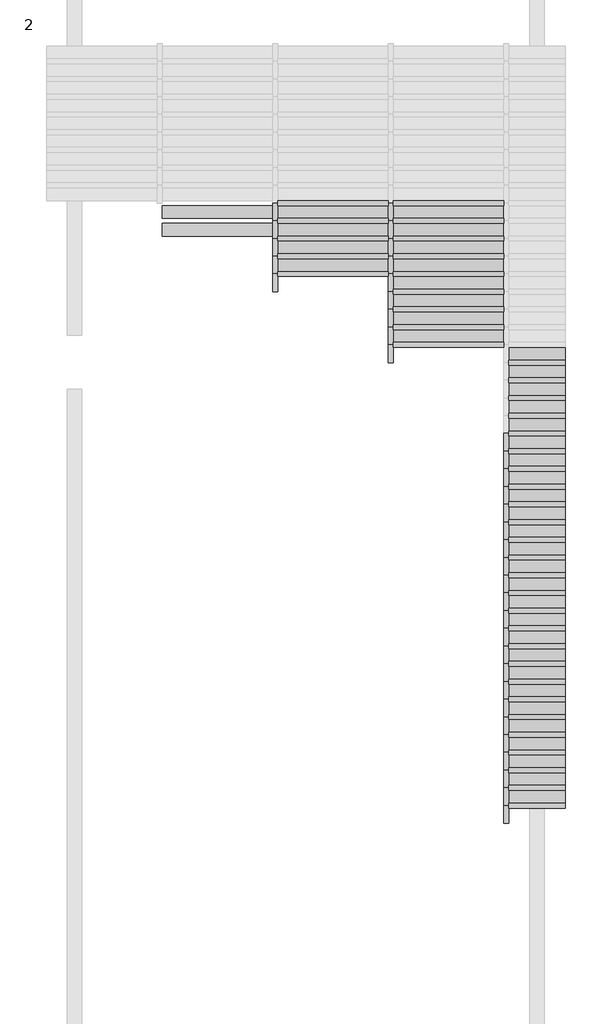
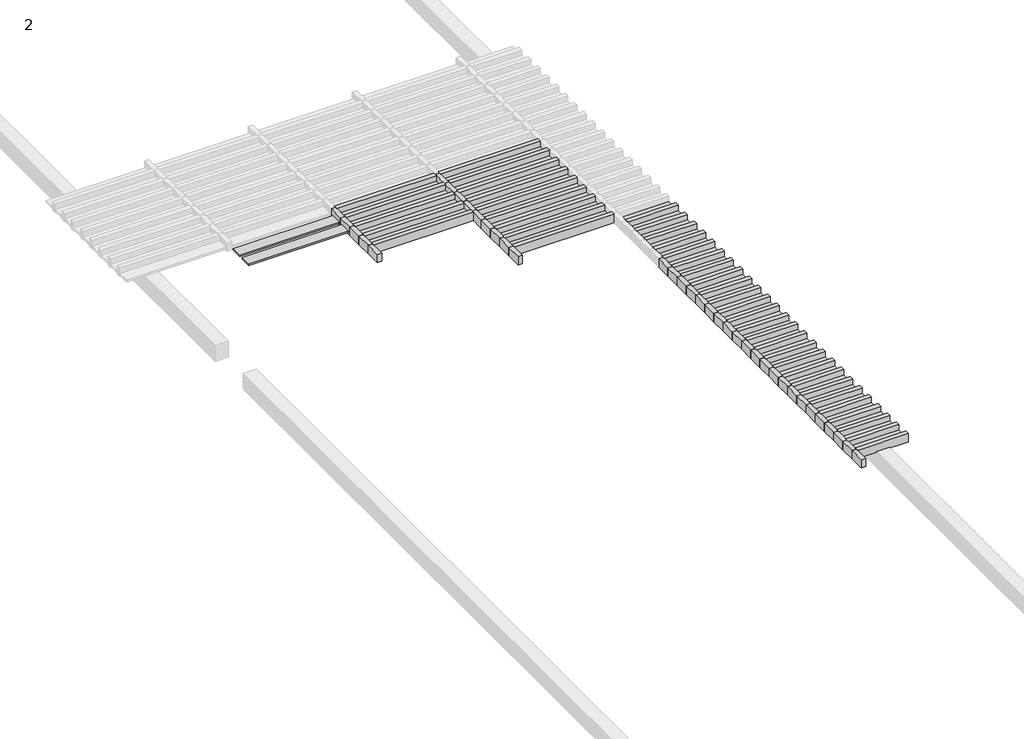
# One storey, part 16 of 20: 76 members, 40 plates.
"""IFC4 building model written with IfcOpenShell, lengths in millimetres."""

import ifcopenshell
import ifcopenshell.guid

model = None  # the IFC model being written
_history = None  # IfcOwnerHistory: only IFC2X3 demands one
_inside = {}  # id of a spatial element -> (the spatial element, [elements in it])
_under = {}  # id of a project, library or spatial element -> (it, [spatial elements below it])
_declared = {}  # id of a project -> (the project, [libraries it declares])
_typed = {}  # id of a type object -> (the type object, [elements of that type])
_made_of = {}  # id of a material, layer set ... -> (it, [elements and type objects made of it])


def new_model(schema):
    """Start an empty IFC model of exactly this schema.

    Asked for "IFC4X3", IfcOpenShell would pick the latest addendum, in which some entities
    have other attributes; the version numbers below select the first issue.
    IFC2X3 requires an IfcOwnerHistory on every rooted entity: one is made here for all.
    """
    global model, _history
    if schema == "IFC4X3":
        model = ifcopenshell.file(schema_version=(4, 3, 0, 0))
    else:
        model = ifcopenshell.file(schema=schema)
    _inside.clear()
    _under.clear()
    _declared.clear()
    _typed.clear()
    _made_of.clear()
    _history = None
    if model.schema == "IFC2X3":
        org = make("IfcOrganization", Name="unknown")
        user = make(
            "IfcPersonAndOrganization",
            ThePerson=make("IfcPerson", FamilyName="unknown"),
            TheOrganization=org,
        )
        app = make(
            "IfcApplication",
            ApplicationDeveloper=org,
            Version="unknown",
            ApplicationFullName="unknown",
            ApplicationIdentifier="unknown",
        )
        _history = make(
            "IfcOwnerHistory",
            OwningUser=user,
            OwningApplication=app,
            ChangeAction="ADDED",
            CreationDate=0,
        )
    return model


def make(cls, **values):
    """One entity of the class cls with the attributes given. An attribute that is None is left unset."""
    return model.create_entity(
        cls, **{name: value for name, value in values.items() if value is not None}
    )


def rooted(cls, **values):
    """An entity with a GlobalId (a new one), such as an element, a storey or a relation."""
    return make(cls, GlobalId=ifcopenshell.guid.new(), OwnerHistory=_history, **values)


def si_unit(unit_type, name, prefix=None):
    """IfcSIUnit, for example si_unit("LENGTHUNIT", "METRE", prefix="MILLI")."""
    return make("IfcSIUnit", UnitType=unit_type, Prefix=prefix, Name=name)


def assignment(units):
    """IfcUnitAssignment: the units of a project."""
    return None if units is None else make("IfcUnitAssignment", Units=units)


def point(xyz):
    """IfcCartesianPoint."""
    return None if xyz is None else make("IfcCartesianPoint", Coordinates=xyz)


def direction(xyz):
    """IfcDirection."""
    return None if xyz is None else make("IfcDirection", DirectionRatios=xyz)


def frame(location, z_axis=None, x_axis=None):
    """IfcAxis2Placement3D, a coordinate frame: its origin and axes. An axis left out is left unset."""
    return make(
        "IfcAxis2Placement3D",
        Location=point(location),
        Axis=direction(z_axis),
        RefDirection=direction(x_axis),
    )


def origin():
    """The frame at (0, 0, 0) with its axes left unset."""
    return frame((0.0, 0.0, 0.0))


def origin_with_axes():
    """The frame at (0, 0, 0) with the z axis (0, 0, 1) and the x axis (1, 0, 0) written out."""
    return frame((0.0, 0.0, 0.0), z_axis=(0.0, 0.0, 1.0), x_axis=(1.0, 0.0, 0.0))


def place(relative_to, where):
    """IfcLocalPlacement: puts the frame where relative to a parent placement (None: the world)."""
    return make(
        "IfcLocalPlacement", PlacementRelTo=relative_to, RelativePlacement=where
    )


def context(
    kind, dimensions, precision=None, world=None, true_north=None, identifier=None
):
    """IfcGeometricRepresentationContext, for example the 3D "Model" context."""
    return make(
        "IfcGeometricRepresentationContext",
        ContextIdentifier=identifier,
        ContextType=kind,
        CoordinateSpaceDimension=dimensions,
        Precision=precision,
        WorldCoordinateSystem=world,
        TrueNorth=true_north,
    )


def project(units=None, contexts=None):
    """IfcProject with its units and contexts."""
    return rooted(
        "IfcProject",
        Name="project",
        RepresentationContexts=contexts,
        UnitsInContext=assignment(units),
    )


def spatial(cls, under=None, at=None, **own):
    """A site, building, storey or space (cls), placed at a placement, below another one or the project."""
    s = rooted(cls, ObjectPlacement=at, **own)
    if under is not None:
        _under.setdefault(under.id(), (under, []))[1].append(s)
    return s


def polyline(points):
    """IfcPolyline through the points."""
    return make("IfcPolyline", Points=[point(p) for p in points])


def outline(outer, holes=None, kind="AREA"):
    """IfcArbitraryClosedProfileDef: a profile drawn as a closed curve; with holes, ...WithVoids."""
    if holes is None:
        return make("IfcArbitraryClosedProfileDef", ProfileType=kind, OuterCurve=outer)
    return make(
        "IfcArbitraryProfileDefWithVoids",
        ProfileType=kind,
        OuterCurve=outer,
        InnerCurves=holes,
    )


def extrude(swept, where, along, depth):
    """IfcExtrudedAreaSolid: the profile swept, set in the frame where, extruded along a direction by depth."""
    return make(
        "IfcExtrudedAreaSolid",
        SweptArea=swept,
        Position=where,
        ExtrudedDirection=direction(along),
        Depth=depth,
    )


def shape(context_of_items, identifier, shape_type, items):
    """IfcShapeRepresentation: the items that make up one representation, for example the "Body"."""
    return make(
        "IfcShapeRepresentation",
        ContextOfItems=context_of_items,
        RepresentationIdentifier=identifier,
        RepresentationType=shape_type,
        Items=items,
    )


def source(mapping_origin, context_of_items, identifier, shape_type, items):
    """IfcRepresentationMap: a shape defined once, which mapped items show again and again."""
    return make(
        "IfcRepresentationMap",
        MappingOrigin=mapping_origin,
        MappedRepresentation=shape(context_of_items, identifier, shape_type, items),
    )


def transform(
    local_origin,
    x_axis=None,
    y_axis=None,
    z_axis=None,
    scale=None,
    scale2=None,
    scale3=None,
    uniform=True,
):
    """IfcCartesianTransformationOperator3D, or its non-uniform kind. x_axis, y_axis, z_axis: its Axis1, 2, 3."""
    if uniform:
        return make(
            "IfcCartesianTransformationOperator3D",
            Axis1=direction(x_axis),
            Axis2=direction(y_axis),
            LocalOrigin=point(local_origin),
            Scale=scale,
            Axis3=direction(z_axis),
        )
    return make(
        "IfcCartesianTransformationOperator3DnonUniform",
        Axis1=direction(x_axis),
        Axis2=direction(y_axis),
        LocalOrigin=point(local_origin),
        Scale=scale,
        Axis3=direction(z_axis),
        Scale2=scale2,
        Scale3=scale3,
    )


def mapped(mapping_source, mapping_target):
    """IfcMappedItem: shows the shape of a source again, moved by a transform."""
    return make(
        "IfcMappedItem", MappingSource=mapping_source, MappingTarget=mapping_target
    )


def made_of(thing, what):
    """Note that an element or type object is made of a material, layer set ...; save() writes the relation."""
    if what is not None:
        _made_of.setdefault(what.id(), (what, []))[1].append(thing)
    return thing


def element(
    cls,
    number,
    at=None,
    inside=None,
    cuts=None,
    type_object=None,
    material=None,
    context=None,
    identifier="Body",
    shape_type=None,
    held_by="IfcProductDefinitionShape",
    body=None,
    shapes=None,
    **own,
):
    """One element of the class cls, such as IfcWall. Its Tag is "e" and its number.

    at: its placement. inside: the storey or other place that contains it. cuts: it is an
    opening in that element (IfcRelVoidsElement). A single representation is given by context,
    identifier, shape_type and body (its items); several are given by shapes. held_by: the class
    of the entity that holds the representations. save() writes the other relations.
    """
    e = rooted(cls, Tag="e%d" % number, ObjectPlacement=at, **own)
    if body is not None:
        shapes = [shape(context, identifier, shape_type, body)]
    if shapes is not None:
        e.Representation = make(held_by, Representations=shapes)
    if inside is not None:
        _inside.setdefault(inside.id(), (inside, []))[1].append(e)
    if cuts is not None:
        rooted(
            "IfcRelVoidsElement", RelatingBuildingElement=cuts, RelatedOpeningElement=e
        )
    if type_object is not None:
        _typed.setdefault(type_object.id(), (type_object, []))[1].append(e)
    return made_of(e, material)


def aggregate(whole, parts):
    """IfcRelAggregates: a whole, such as a stair, and the parts it consists of."""
    return rooted("IfcRelAggregates", RelatingObject=whole, RelatedObjects=parts)


def save(model, path):
    """Write the relations noted so far, then the file.

    IfcRelAggregates (storeys below a building ...), IfcRelContainedInSpatialStructure (elements
    in a storey), IfcRelDefinesByType, IfcRelAssociatesMaterial and IfcRelDeclares: one each for
    every whole, place, type object, material and project.
    """
    for whole, parts in _under.values():
        aggregate(whole, parts)
    for where, things in _inside.values():
        rooted(
            "IfcRelContainedInSpatialStructure",
            RelatedElements=things,
            RelatingStructure=where,
        )
    for kind, things in _typed.values():
        rooted("IfcRelDefinesByType", RelatedObjects=things, RelatingType=kind)
    for what, things in _made_of.values():
        rooted("IfcRelAssociatesMaterial", RelatedObjects=things, RelatingMaterial=what)
    for by, libraries in _declared.values():
        rooted("IfcRelDeclares", RelatingContext=by, RelatedDefinitions=libraries)
    model.write(path)


def rectangular_mullion_rectangular_mullion_1_2e36edf5(model_context):
    return source(origin(), model_context, "Body", "SweptSolid", [
        extrude(outline(polyline([(31.75, 63.5), (31.75, -63.5), (-31.75, -63.5), (-31.75, 63.5), (31.75, 63.5)])), frame((0.0, 0.0, -1436.5), z_axis=(0.0, 0.0, 1.0), x_axis=(1.0, 0.0, 0.0)), (0.0, 0.0, 1.0), 1436.5),
    ])


def rectangular_mullion_rectangular_mullion_1_a65447c9(model_context):
    return source(origin(), model_context, "Body", "SweptSolid", [
        extrude(outline(polyline([(31.75, 63.5), (31.75, -63.5), (-31.75, -63.5), (-31.75, 63.5), (31.75, 63.5)])), frame((0.0, 0.0, -728.9), z_axis=(0.0, 0.0, 1.0), x_axis=(1.0, 0.0, 0.0)), (0.0, 0.0, 1.0), 728.9),
    ])


def rectangular_mullion_rectangular_mullion_1_d94df714(model_context):
    return source(origin(), model_context, "Body", "SweptSolid", [
        extrude(outline(polyline([(31.75, 63.5), (31.75, -63.5), (-31.75, -63.5), (-31.75, 63.5), (31.75, 63.5)])), frame((0.0, 0.0, -230.0), z_axis=(0.0, 0.0, 1.0), x_axis=(1.0, 0.0, 0.0)), (0.0, 0.0, 1.0), 230.0),
    ])


def system_panel_glazed_08e8e96b(model_context):
    return source(origin(), model_context, "Body", "SweptSolid", [
        extrude(outline(polyline([(718.25, 19.05), (-718.25, 19.05), (-718.25, 44.45), (718.25, 44.45), (718.25, 19.05)])), origin_with_axes(), (0.0, 0.0, 1.0), 166.5),
    ])


def system_panel_glazed_44abc083(model_context):
    return source(origin(), model_context, "Body", "SweptSolid", [
        extrude(outline(polyline([(364.45, 19.05), (-364.45, 19.05), (-364.45, 44.45), (364.45, 44.45), (364.45, 19.05)])), origin_with_axes(), (0.0, 0.0, 1.0), 166.5),
    ])


model = new_model("IFC4")

# Units and contexts
model_context = context("Model", 3, world=origin())
ifc_project = project(units=[si_unit("LENGTHUNIT", "METRE", prefix="MILLI")], contexts=[model_context])

# Site, building, storey
site = spatial("IfcSite", under=ifc_project)
building = spatial("IfcBuilding", under=site)
storey = spatial("IfcBuildingStorey", under=building, Name="2", Elevation=6840.0)

# Members
placement = place(None, origin())
rectangular_mullion_rectangular_mullion_1_shape = rectangular_mullion_rectangular_mullion_1_2e36edf5(model_context)
element("IfcMember", 1, ObjectType="Rectangular Mullion : Rectangular Mullion 1", at=placement, inside=storey, context=model_context, shape_type="MappedRepresentation", body=[
    mapped(rectangular_mullion_rectangular_mullion_1_shape, transform((6577.9371269, 6155.1945338, 6840.0), x_axis=(0.0, 1.0, 0.0), y_axis=(0.0, 0.0, -1.0), z_axis=(-1.0, 0.0, 0.0))),
])
element("IfcMember", 2, ObjectType="Rectangular Mullion : Rectangular Mullion 1", at=placement, inside=storey, context=model_context, shape_type="MappedRepresentation", body=[
    mapped(rectangular_mullion_rectangular_mullion_1_shape, transform((6577.9371269, 6385.1945338, 6840.0), x_axis=(0.0, 1.0, 0.0), y_axis=(0.0, 0.0, -1.0), z_axis=(-1.0, 0.0, 0.0))),
])
element("IfcMember", 3, ObjectType="Rectangular Mullion : Rectangular Mullion 1", at=placement, inside=storey, context=model_context, shape_type="MappedRepresentation", body=[
    mapped(rectangular_mullion_rectangular_mullion_1_shape, transform((6577.9371269, 6615.1945338, 6840.0), x_axis=(0.0, 1.0, 0.0), y_axis=(0.0, 0.0, -1.0), z_axis=(-1.0, 0.0, 0.0))),
])
element("IfcMember", 4, ObjectType="Rectangular Mullion : Rectangular Mullion 1", at=placement, inside=storey, context=model_context, shape_type="MappedRepresentation", body=[
    mapped(rectangular_mullion_rectangular_mullion_1_shape, transform((6577.9371269, 6845.1945338, 6840.0), x_axis=(0.0, 1.0, 0.0), y_axis=(0.0, 0.0, -1.0), z_axis=(-1.0, 0.0, 0.0))),
])
element("IfcMember", 5, ObjectType="Rectangular Mullion : Rectangular Mullion 1", at=placement, inside=storey, context=model_context, shape_type="MappedRepresentation", body=[
    mapped(rectangular_mullion_rectangular_mullion_1_shape, transform((5077.9371269, 7075.1945338, 6840.0), x_axis=(0.0, 1.0, 0.0), y_axis=(0.0, 0.0, -1.0), z_axis=(-1.0, 0.0, 0.0))),
])
element("IfcMember", 6, ObjectType="Rectangular Mullion : Rectangular Mullion 1", at=placement, inside=storey, context=model_context, shape_type="MappedRepresentation", body=[
    mapped(rectangular_mullion_rectangular_mullion_1_shape, transform((6577.9371269, 7075.1945338, 6840.0), x_axis=(0.0, 1.0, 0.0), y_axis=(0.0, 0.0, -1.0), z_axis=(-1.0, 0.0, 0.0))),
])
element("IfcMember", 7, ObjectType="Rectangular Mullion : Rectangular Mullion 1", at=placement, inside=storey, context=model_context, shape_type="MappedRepresentation", body=[
    mapped(rectangular_mullion_rectangular_mullion_1_shape, transform((5077.9371269, 7305.1945338, 6840.0), x_axis=(0.0, 1.0, 0.0), y_axis=(0.0, 0.0, -1.0), z_axis=(-1.0, 0.0, 0.0))),
])
element("IfcMember", 8, ObjectType="Rectangular Mullion : Rectangular Mullion 1", at=placement, inside=storey, context=model_context, shape_type="MappedRepresentation", body=[
    mapped(rectangular_mullion_rectangular_mullion_1_shape, transform((6577.9371269, 7305.1945338, 6840.0), x_axis=(0.0, 1.0, 0.0), y_axis=(0.0, 0.0, -1.0), z_axis=(-1.0, 0.0, 0.0))),
])
element("IfcMember", 9, ObjectType="Rectangular Mullion : Rectangular Mullion 1", at=placement, inside=storey, context=model_context, shape_type="MappedRepresentation", body=[
    mapped(rectangular_mullion_rectangular_mullion_1_shape, transform((5077.9371269, 7535.1945338, 6840.0), x_axis=(0.0, 1.0, 0.0), y_axis=(0.0, 0.0, -1.0), z_axis=(-1.0, 0.0, 0.0))),
])
element("IfcMember", 10, ObjectType="Rectangular Mullion : Rectangular Mullion 1", at=placement, inside=storey, context=model_context, shape_type="MappedRepresentation", body=[
    mapped(rectangular_mullion_rectangular_mullion_1_shape, transform((6577.9371269, 7535.1945338, 6840.0), x_axis=(0.0, 1.0, 0.0), y_axis=(0.0, 0.0, -1.0), z_axis=(-1.0, 0.0, 0.0))),
])
element("IfcMember", 11, ObjectType="Rectangular Mullion : Rectangular Mullion 1", at=placement, inside=storey, context=model_context, shape_type="MappedRepresentation", body=[
    mapped(rectangular_mullion_rectangular_mullion_1_shape, transform((5077.9371269, 7765.1945338, 6840.0), x_axis=(0.0, 1.0, 0.0), y_axis=(0.0, 0.0, -1.0), z_axis=(-1.0, 0.0, 0.0))),
])
element("IfcMember", 12, ObjectType="Rectangular Mullion : Rectangular Mullion 1", at=placement, inside=storey, context=model_context, shape_type="MappedRepresentation", body=[
    mapped(rectangular_mullion_rectangular_mullion_1_shape, transform((6577.9371269, 7765.1945338, 6840.0), x_axis=(0.0, 1.0, 0.0), y_axis=(0.0, 0.0, -1.0), z_axis=(-1.0, 0.0, 0.0))),
])
element("IfcMember", 13, ObjectType="Rectangular Mullion : Rectangular Mullion 1", at=placement, inside=storey, context=model_context, shape_type="MappedRepresentation", body=[
    mapped(rectangular_mullion_rectangular_mullion_1_shape, transform((5077.9371269, 7995.1945338, 6840.0), x_axis=(0.0, 1.0, 0.0), y_axis=(0.0, 0.0, -1.0), z_axis=(-1.0, 0.0, 0.0))),
])
element("IfcMember", 14, ObjectType="Rectangular Mullion : Rectangular Mullion 1", at=placement, inside=storey, context=model_context, shape_type="MappedRepresentation", body=[
    mapped(rectangular_mullion_rectangular_mullion_1_shape, transform((6577.9371269, 7995.1945338, 6840.0), x_axis=(0.0, 1.0, 0.0), y_axis=(0.0, 0.0, -1.0), z_axis=(-1.0, 0.0, 0.0))),
])
rectangular_mullion_rectangular_mullion_1_2_shape = rectangular_mullion_rectangular_mullion_1_a65447c9(model_context)
element("IfcMember", 15, ObjectType="Rectangular Mullion : Rectangular Mullion 1", at=placement, inside=storey, context=model_context, shape_type="MappedRepresentation", body=[
    mapped(rectangular_mullion_rectangular_mullion_1_2_shape, transform((8077.9371269, 175.1945338, 6840.0), x_axis=(0.0, 1.0, 0.0), y_axis=(0.0, 0.0, -1.0), z_axis=(-1.0, 0.0, 0.0))),
])
element("IfcMember", 16, ObjectType="Rectangular Mullion : Rectangular Mullion 1", at=placement, inside=storey, context=model_context, shape_type="MappedRepresentation", body=[
    mapped(rectangular_mullion_rectangular_mullion_1_2_shape, transform((8077.9371269, 405.1945338, 6840.0), x_axis=(0.0, 1.0, 0.0), y_axis=(0.0, 0.0, -1.0), z_axis=(-1.0, 0.0, 0.0))),
])
element("IfcMember", 17, ObjectType="Rectangular Mullion : Rectangular Mullion 1", at=placement, inside=storey, context=model_context, shape_type="MappedRepresentation", body=[
    mapped(rectangular_mullion_rectangular_mullion_1_2_shape, transform((8077.9371269, 635.1945338, 6840.0), x_axis=(0.0, 1.0, 0.0), y_axis=(0.0, 0.0, -1.0), z_axis=(-1.0, 0.0, 0.0))),
])
element("IfcMember", 18, ObjectType="Rectangular Mullion : Rectangular Mullion 1", at=placement, inside=storey, context=model_context, shape_type="MappedRepresentation", body=[
    mapped(rectangular_mullion_rectangular_mullion_1_2_shape, transform((8077.9371269, 865.1945338, 6840.0), x_axis=(0.0, 1.0, 0.0), y_axis=(0.0, 0.0, -1.0), z_axis=(-1.0, 0.0, 0.0))),
])
element("IfcMember", 19, ObjectType="Rectangular Mullion : Rectangular Mullion 1", at=placement, inside=storey, context=model_context, shape_type="MappedRepresentation", body=[
    mapped(rectangular_mullion_rectangular_mullion_1_2_shape, transform((8077.9371269, 1095.1945338, 6840.0), x_axis=(0.0, 1.0, 0.0), y_axis=(0.0, 0.0, -1.0), z_axis=(-1.0, 0.0, 0.0))),
])
element("IfcMember", 20, ObjectType="Rectangular Mullion : Rectangular Mullion 1", at=placement, inside=storey, context=model_context, shape_type="MappedRepresentation", body=[
    mapped(rectangular_mullion_rectangular_mullion_1_2_shape, transform((8077.9371269, 1325.1945338, 6840.0), x_axis=(0.0, 1.0, 0.0), y_axis=(0.0, 0.0, -1.0), z_axis=(-1.0, 0.0, 0.0))),
])
element("IfcMember", 21, ObjectType="Rectangular Mullion : Rectangular Mullion 1", at=placement, inside=storey, context=model_context, shape_type="MappedRepresentation", body=[
    mapped(rectangular_mullion_rectangular_mullion_1_2_shape, transform((8077.9371269, 1555.1945338, 6840.0), x_axis=(0.0, 1.0, 0.0), y_axis=(0.0, 0.0, -1.0), z_axis=(-1.0, 0.0, 0.0))),
])
element("IfcMember", 22, ObjectType="Rectangular Mullion : Rectangular Mullion 1", at=placement, inside=storey, context=model_context, shape_type="MappedRepresentation", body=[
    mapped(rectangular_mullion_rectangular_mullion_1_2_shape, transform((8077.9371269, 1785.1945338, 6840.0), x_axis=(0.0, 1.0, 0.0), y_axis=(0.0, 0.0, -1.0), z_axis=(-1.0, 0.0, 0.0))),
])
element("IfcMember", 23, ObjectType="Rectangular Mullion : Rectangular Mullion 1", at=placement, inside=storey, context=model_context, shape_type="MappedRepresentation", body=[
    mapped(rectangular_mullion_rectangular_mullion_1_2_shape, transform((8077.9371269, 2015.1945338, 6840.0), x_axis=(0.0, 1.0, 0.0), y_axis=(0.0, 0.0, -1.0), z_axis=(-1.0, 0.0, 0.0))),
])
element("IfcMember", 24, ObjectType="Rectangular Mullion : Rectangular Mullion 1", at=placement, inside=storey, context=model_context, shape_type="MappedRepresentation", body=[
    mapped(rectangular_mullion_rectangular_mullion_1_2_shape, transform((8077.9371269, 2245.1945338, 6840.0), x_axis=(0.0, 1.0, 0.0), y_axis=(0.0, 0.0, -1.0), z_axis=(-1.0, 0.0, 0.0))),
])
element("IfcMember", 25, ObjectType="Rectangular Mullion : Rectangular Mullion 1", at=placement, inside=storey, context=model_context, shape_type="MappedRepresentation", body=[
    mapped(rectangular_mullion_rectangular_mullion_1_2_shape, transform((8077.9371269, 2475.1945338, 6840.0), x_axis=(0.0, 1.0, 0.0), y_axis=(0.0, 0.0, -1.0), z_axis=(-1.0, 0.0, 0.0))),
])
element("IfcMember", 26, ObjectType="Rectangular Mullion : Rectangular Mullion 1", at=placement, inside=storey, context=model_context, shape_type="MappedRepresentation", body=[
    mapped(rectangular_mullion_rectangular_mullion_1_2_shape, transform((8077.9371269, 2705.1945338, 6840.0), x_axis=(0.0, 1.0, 0.0), y_axis=(0.0, 0.0, -1.0), z_axis=(-1.0, 0.0, 0.0))),
])
element("IfcMember", 27, ObjectType="Rectangular Mullion : Rectangular Mullion 1", at=placement, inside=storey, context=model_context, shape_type="MappedRepresentation", body=[
    mapped(rectangular_mullion_rectangular_mullion_1_2_shape, transform((8077.9371269, 2935.1945338, 6840.0), x_axis=(0.0, 1.0, 0.0), y_axis=(0.0, 0.0, -1.0), z_axis=(-1.0, 0.0, 0.0))),
])
element("IfcMember", 28, ObjectType="Rectangular Mullion : Rectangular Mullion 1", at=placement, inside=storey, context=model_context, shape_type="MappedRepresentation", body=[
    mapped(rectangular_mullion_rectangular_mullion_1_2_shape, transform((8077.9371269, 3165.1945338, 6840.0), x_axis=(0.0, 1.0, 0.0), y_axis=(0.0, 0.0, -1.0), z_axis=(-1.0, 0.0, 0.0))),
])
element("IfcMember", 29, ObjectType="Rectangular Mullion : Rectangular Mullion 1", at=placement, inside=storey, context=model_context, shape_type="MappedRepresentation", body=[
    mapped(rectangular_mullion_rectangular_mullion_1_2_shape, transform((8077.9371269, 3395.1945338, 6840.0), x_axis=(0.0, 1.0, 0.0), y_axis=(0.0, 0.0, -1.0), z_axis=(-1.0, 0.0, 0.0))),
])
element("IfcMember", 30, ObjectType="Rectangular Mullion : Rectangular Mullion 1", at=placement, inside=storey, context=model_context, shape_type="MappedRepresentation", body=[
    mapped(rectangular_mullion_rectangular_mullion_1_2_shape, transform((8077.9371269, 3625.1945338, 6840.0), x_axis=(0.0, 1.0, 0.0), y_axis=(0.0, 0.0, -1.0), z_axis=(-1.0, 0.0, 0.0))),
])
element("IfcMember", 31, ObjectType="Rectangular Mullion : Rectangular Mullion 1", at=placement, inside=storey, context=model_context, shape_type="MappedRepresentation", body=[
    mapped(rectangular_mullion_rectangular_mullion_1_2_shape, transform((8077.9371269, 3855.1945338, 6840.0), x_axis=(0.0, 1.0, 0.0), y_axis=(0.0, 0.0, -1.0), z_axis=(-1.0, 0.0, 0.0))),
])
element("IfcMember", 32, ObjectType="Rectangular Mullion : Rectangular Mullion 1", at=placement, inside=storey, context=model_context, shape_type="MappedRepresentation", body=[
    mapped(rectangular_mullion_rectangular_mullion_1_2_shape, transform((8077.9371269, 4085.1945338, 6840.0), x_axis=(0.0, 1.0, 0.0), y_axis=(0.0, 0.0, -1.0), z_axis=(-1.0, 0.0, 0.0))),
])
element("IfcMember", 33, ObjectType="Rectangular Mullion : Rectangular Mullion 1", at=placement, inside=storey, context=model_context, shape_type="MappedRepresentation", body=[
    mapped(rectangular_mullion_rectangular_mullion_1_2_shape, transform((8077.9371269, 4315.1945338, 6840.0), x_axis=(0.0, 1.0, 0.0), y_axis=(0.0, 0.0, -1.0), z_axis=(-1.0, 0.0, 0.0))),
])
element("IfcMember", 34, ObjectType="Rectangular Mullion : Rectangular Mullion 1", at=placement, inside=storey, context=model_context, shape_type="MappedRepresentation", body=[
    mapped(rectangular_mullion_rectangular_mullion_1_2_shape, transform((8077.9371269, 4545.1945338, 6840.0), x_axis=(0.0, 1.0, 0.0), y_axis=(0.0, 0.0, -1.0), z_axis=(-1.0, 0.0, 0.0))),
])
element("IfcMember", 35, ObjectType="Rectangular Mullion : Rectangular Mullion 1", at=placement, inside=storey, context=model_context, shape_type="MappedRepresentation", body=[
    mapped(rectangular_mullion_rectangular_mullion_1_2_shape, transform((8077.9371269, 4775.1945338, 6840.0), x_axis=(0.0, 1.0, 0.0), y_axis=(0.0, 0.0, -1.0), z_axis=(-1.0, 0.0, 0.0))),
])
element("IfcMember", 36, ObjectType="Rectangular Mullion : Rectangular Mullion 1", at=placement, inside=storey, context=model_context, shape_type="MappedRepresentation", body=[
    mapped(rectangular_mullion_rectangular_mullion_1_2_shape, transform((8077.9371269, 5005.1945338, 6840.0), x_axis=(0.0, 1.0, 0.0), y_axis=(0.0, 0.0, -1.0), z_axis=(-1.0, 0.0, 0.0))),
])
element("IfcMember", 37, ObjectType="Rectangular Mullion : Rectangular Mullion 1", at=placement, inside=storey, context=model_context, shape_type="MappedRepresentation", body=[
    mapped(rectangular_mullion_rectangular_mullion_1_2_shape, transform((8077.9371269, 5235.1945338, 6840.0), x_axis=(0.0, 1.0, 0.0), y_axis=(0.0, 0.0, -1.0), z_axis=(-1.0, 0.0, 0.0))),
])
element("IfcMember", 38, ObjectType="Rectangular Mullion : Rectangular Mullion 1", at=placement, inside=storey, context=model_context, shape_type="MappedRepresentation", body=[
    mapped(rectangular_mullion_rectangular_mullion_1_2_shape, transform((8077.9371269, 5465.1945338, 6840.0), x_axis=(0.0, 1.0, 0.0), y_axis=(0.0, 0.0, -1.0), z_axis=(-1.0, 0.0, 0.0))),
])
element("IfcMember", 39, ObjectType="Rectangular Mullion : Rectangular Mullion 1", at=placement, inside=storey, context=model_context, shape_type="MappedRepresentation", body=[
    mapped(rectangular_mullion_rectangular_mullion_1_2_shape, transform((8077.9371269, 5695.1945338, 6840.0), x_axis=(0.0, 1.0, 0.0), y_axis=(0.0, 0.0, -1.0), z_axis=(-1.0, 0.0, 0.0))),
])
element("IfcMember", 40, ObjectType="Rectangular Mullion : Rectangular Mullion 1", at=placement, inside=storey, context=model_context, shape_type="MappedRepresentation", body=[
    mapped(rectangular_mullion_rectangular_mullion_1_2_shape, transform((8077.9371269, 5925.1945338, 6840.0), x_axis=(0.0, 1.0, 0.0), y_axis=(0.0, 0.0, -1.0), z_axis=(-1.0, 0.0, 0.0))),
])
rectangular_mullion_rectangular_mullion_1_3_shape = rectangular_mullion_rectangular_mullion_1_d94df714(model_context)
element("IfcMember", 41, ObjectType="Rectangular Mullion : Rectangular Mullion 1", at=placement, inside=storey, context=model_context, shape_type="MappedRepresentation", body=[
    mapped(rectangular_mullion_rectangular_mullion_1_3_shape, transform((8046.1871269, 175.1945338, 6840.0), x_axis=(1.0, 0.0, 0.0), y_axis=(0.0, 0.0, -1.0), z_axis=(0.0, 1.0, 0.0))),
])
element("IfcMember", 42, ObjectType="Rectangular Mullion : Rectangular Mullion 1", at=placement, inside=storey, context=model_context, shape_type="MappedRepresentation", body=[
    mapped(rectangular_mullion_rectangular_mullion_1_3_shape, transform((8046.1871269, 405.1945338, 6840.0), x_axis=(1.0, 0.0, 0.0), y_axis=(0.0, 0.0, -1.0), z_axis=(0.0, 1.0, 0.0))),
])
element("IfcMember", 43, ObjectType="Rectangular Mullion : Rectangular Mullion 1", at=placement, inside=storey, context=model_context, shape_type="MappedRepresentation", body=[
    mapped(rectangular_mullion_rectangular_mullion_1_3_shape, transform((8046.1871269, 635.1945338, 6840.0), x_axis=(1.0, 0.0, 0.0), y_axis=(0.0, 0.0, -1.0), z_axis=(0.0, 1.0, 0.0))),
])
element("IfcMember", 44, ObjectType="Rectangular Mullion : Rectangular Mullion 1", at=placement, inside=storey, context=model_context, shape_type="MappedRepresentation", body=[
    mapped(rectangular_mullion_rectangular_mullion_1_3_shape, transform((8046.1871269, 865.1945338, 6840.0), x_axis=(1.0, 0.0, 0.0), y_axis=(0.0, 0.0, -1.0), z_axis=(0.0, 1.0, 0.0))),
])
element("IfcMember", 45, ObjectType="Rectangular Mullion : Rectangular Mullion 1", at=placement, inside=storey, context=model_context, shape_type="MappedRepresentation", body=[
    mapped(rectangular_mullion_rectangular_mullion_1_3_shape, transform((8046.1871269, 1095.1945338, 6840.0), x_axis=(1.0, 0.0, 0.0), y_axis=(0.0, 0.0, -1.0), z_axis=(0.0, 1.0, 0.0))),
])
element("IfcMember", 46, ObjectType="Rectangular Mullion : Rectangular Mullion 1", at=placement, inside=storey, context=model_context, shape_type="MappedRepresentation", body=[
    mapped(rectangular_mullion_rectangular_mullion_1_3_shape, transform((8046.1871269, 1325.1945338, 6840.0), x_axis=(1.0, 0.0, 0.0), y_axis=(0.0, 0.0, -1.0), z_axis=(0.0, 1.0, 0.0))),
])
element("IfcMember", 47, ObjectType="Rectangular Mullion : Rectangular Mullion 1", at=placement, inside=storey, context=model_context, shape_type="MappedRepresentation", body=[
    mapped(rectangular_mullion_rectangular_mullion_1_3_shape, transform((8046.1871269, 1555.1945338, 6840.0), x_axis=(1.0, 0.0, 0.0), y_axis=(0.0, 0.0, -1.0), z_axis=(0.0, 1.0, 0.0))),
])
element("IfcMember", 48, ObjectType="Rectangular Mullion : Rectangular Mullion 1", at=placement, inside=storey, context=model_context, shape_type="MappedRepresentation", body=[
    mapped(rectangular_mullion_rectangular_mullion_1_3_shape, transform((8046.1871269, 1785.1945338, 6840.0), x_axis=(1.0, 0.0, 0.0), y_axis=(0.0, 0.0, -1.0), z_axis=(0.0, 1.0, 0.0))),
])
element("IfcMember", 49, ObjectType="Rectangular Mullion : Rectangular Mullion 1", at=placement, inside=storey, context=model_context, shape_type="MappedRepresentation", body=[
    mapped(rectangular_mullion_rectangular_mullion_1_3_shape, transform((8046.1871269, 2015.1945338, 6840.0), x_axis=(1.0, 0.0, 0.0), y_axis=(0.0, 0.0, -1.0), z_axis=(0.0, 1.0, 0.0))),
])
element("IfcMember", 50, ObjectType="Rectangular Mullion : Rectangular Mullion 1", at=placement, inside=storey, context=model_context, shape_type="MappedRepresentation", body=[
    mapped(rectangular_mullion_rectangular_mullion_1_3_shape, transform((8046.1871269, 2245.1945338, 6840.0), x_axis=(1.0, 0.0, 0.0), y_axis=(0.0, 0.0, -1.0), z_axis=(0.0, 1.0, 0.0))),
])
element("IfcMember", 51, ObjectType="Rectangular Mullion : Rectangular Mullion 1", at=placement, inside=storey, context=model_context, shape_type="MappedRepresentation", body=[
    mapped(rectangular_mullion_rectangular_mullion_1_3_shape, transform((8046.1871269, 2475.1945338, 6840.0), x_axis=(1.0, 0.0, 0.0), y_axis=(0.0, 0.0, -1.0), z_axis=(0.0, 1.0, 0.0))),
])
element("IfcMember", 52, ObjectType="Rectangular Mullion : Rectangular Mullion 1", at=placement, inside=storey, context=model_context, shape_type="MappedRepresentation", body=[
    mapped(rectangular_mullion_rectangular_mullion_1_3_shape, transform((8046.1871269, 2705.1945338, 6840.0), x_axis=(1.0, 0.0, 0.0), y_axis=(0.0, 0.0, -1.0), z_axis=(0.0, 1.0, 0.0))),
])
element("IfcMember", 53, ObjectType="Rectangular Mullion : Rectangular Mullion 1", at=placement, inside=storey, context=model_context, shape_type="MappedRepresentation", body=[
    mapped(rectangular_mullion_rectangular_mullion_1_3_shape, transform((8046.1871269, 2935.1945338, 6840.0), x_axis=(1.0, 0.0, 0.0), y_axis=(0.0, 0.0, -1.0), z_axis=(0.0, 1.0, 0.0))),
])
element("IfcMember", 54, ObjectType="Rectangular Mullion : Rectangular Mullion 1", at=placement, inside=storey, context=model_context, shape_type="MappedRepresentation", body=[
    mapped(rectangular_mullion_rectangular_mullion_1_3_shape, transform((8046.1871269, 3165.1945338, 6840.0), x_axis=(1.0, 0.0, 0.0), y_axis=(0.0, 0.0, -1.0), z_axis=(0.0, 1.0, 0.0))),
])
element("IfcMember", 55, ObjectType="Rectangular Mullion : Rectangular Mullion 1", at=placement, inside=storey, context=model_context, shape_type="MappedRepresentation", body=[
    mapped(rectangular_mullion_rectangular_mullion_1_3_shape, transform((8046.1871269, 3395.1945338, 6840.0), x_axis=(1.0, 0.0, 0.0), y_axis=(0.0, 0.0, -1.0), z_axis=(0.0, 1.0, 0.0))),
])
element("IfcMember", 56, ObjectType="Rectangular Mullion : Rectangular Mullion 1", at=placement, inside=storey, context=model_context, shape_type="MappedRepresentation", body=[
    mapped(rectangular_mullion_rectangular_mullion_1_3_shape, transform((8046.1871269, 3625.1945338, 6840.0), x_axis=(1.0, 0.0, 0.0), y_axis=(0.0, 0.0, -1.0), z_axis=(0.0, 1.0, 0.0))),
])
element("IfcMember", 57, ObjectType="Rectangular Mullion : Rectangular Mullion 1", at=placement, inside=storey, context=model_context, shape_type="MappedRepresentation", body=[
    mapped(rectangular_mullion_rectangular_mullion_1_3_shape, transform((8046.1871269, 3855.1945338, 6840.0), x_axis=(1.0, 0.0, 0.0), y_axis=(0.0, 0.0, -1.0), z_axis=(0.0, 1.0, 0.0))),
])
element("IfcMember", 58, ObjectType="Rectangular Mullion : Rectangular Mullion 1", at=placement, inside=storey, context=model_context, shape_type="MappedRepresentation", body=[
    mapped(rectangular_mullion_rectangular_mullion_1_3_shape, transform((8046.1871269, 4085.1945338, 6840.0), x_axis=(1.0, 0.0, 0.0), y_axis=(0.0, 0.0, -1.0), z_axis=(0.0, 1.0, 0.0))),
])
element("IfcMember", 59, ObjectType="Rectangular Mullion : Rectangular Mullion 1", at=placement, inside=storey, context=model_context, shape_type="MappedRepresentation", body=[
    mapped(rectangular_mullion_rectangular_mullion_1_3_shape, transform((8046.1871269, 4315.1945338, 6840.0), x_axis=(1.0, 0.0, 0.0), y_axis=(0.0, 0.0, -1.0), z_axis=(0.0, 1.0, 0.0))),
])
element("IfcMember", 60, ObjectType="Rectangular Mullion : Rectangular Mullion 1", at=placement, inside=storey, context=model_context, shape_type="MappedRepresentation", body=[
    mapped(rectangular_mullion_rectangular_mullion_1_3_shape, transform((8046.1871269, 4545.1945338, 6840.0), x_axis=(1.0, 0.0, 0.0), y_axis=(0.0, 0.0, -1.0), z_axis=(0.0, 1.0, 0.0))),
])
element("IfcMember", 61, ObjectType="Rectangular Mullion : Rectangular Mullion 1", at=placement, inside=storey, context=model_context, shape_type="MappedRepresentation", body=[
    mapped(rectangular_mullion_rectangular_mullion_1_3_shape, transform((8046.1871269, 4775.1945338, 6840.0), x_axis=(1.0, 0.0, 0.0), y_axis=(0.0, 0.0, -1.0), z_axis=(0.0, 1.0, 0.0))),
])
element("IfcMember", 62, ObjectType="Rectangular Mullion : Rectangular Mullion 1", at=placement, inside=storey, context=model_context, shape_type="MappedRepresentation", body=[
    mapped(rectangular_mullion_rectangular_mullion_1_3_shape, transform((8046.1871269, 5005.1945338, 6840.0), x_axis=(1.0, 0.0, 0.0), y_axis=(0.0, 0.0, -1.0), z_axis=(0.0, 1.0, 0.0))),
])
element("IfcMember", 63, ObjectType="Rectangular Mullion : Rectangular Mullion 1", at=placement, inside=storey, context=model_context, shape_type="MappedRepresentation", body=[
    mapped(rectangular_mullion_rectangular_mullion_1_3_shape, transform((6546.1871269, 6155.1945338, 6840.0), x_axis=(1.0, 0.0, 0.0), y_axis=(0.0, 0.0, -1.0), z_axis=(0.0, 1.0, 0.0))),
])
element("IfcMember", 64, ObjectType="Rectangular Mullion : Rectangular Mullion 1", at=placement, inside=storey, context=model_context, shape_type="MappedRepresentation", body=[
    mapped(rectangular_mullion_rectangular_mullion_1_3_shape, transform((6546.1871269, 6385.1945338, 6840.0), x_axis=(1.0, 0.0, 0.0), y_axis=(0.0, 0.0, -1.0), z_axis=(0.0, 1.0, 0.0))),
])
element("IfcMember", 65, ObjectType="Rectangular Mullion : Rectangular Mullion 1", at=placement, inside=storey, context=model_context, shape_type="MappedRepresentation", body=[
    mapped(rectangular_mullion_rectangular_mullion_1_3_shape, transform((6546.1871269, 6615.1945338, 6840.0), x_axis=(1.0, 0.0, 0.0), y_axis=(0.0, 0.0, -1.0), z_axis=(0.0, 1.0, 0.0))),
])
element("IfcMember", 66, ObjectType="Rectangular Mullion : Rectangular Mullion 1", at=placement, inside=storey, context=model_context, shape_type="MappedRepresentation", body=[
    mapped(rectangular_mullion_rectangular_mullion_1_3_shape, transform((6546.1871269, 6845.1945338, 6840.0), x_axis=(1.0, 0.0, 0.0), y_axis=(0.0, 0.0, -1.0), z_axis=(0.0, 1.0, 0.0))),
])
element("IfcMember", 67, ObjectType="Rectangular Mullion : Rectangular Mullion 1", at=placement, inside=storey, context=model_context, shape_type="MappedRepresentation", body=[
    mapped(rectangular_mullion_rectangular_mullion_1_3_shape, transform((5046.1871269, 7075.1945338, 6840.0), x_axis=(1.0, 0.0, 0.0), y_axis=(0.0, 0.0, -1.0), z_axis=(0.0, 1.0, 0.0))),
])
element("IfcMember", 68, ObjectType="Rectangular Mullion : Rectangular Mullion 1", at=placement, inside=storey, context=model_context, shape_type="MappedRepresentation", body=[
    mapped(rectangular_mullion_rectangular_mullion_1_3_shape, transform((6546.1871269, 7075.1945338, 6840.0), x_axis=(1.0, 0.0, 0.0), y_axis=(0.0, 0.0, -1.0), z_axis=(0.0, 1.0, 0.0))),
])
element("IfcMember", 69, ObjectType="Rectangular Mullion : Rectangular Mullion 1", at=placement, inside=storey, context=model_context, shape_type="MappedRepresentation", body=[
    mapped(rectangular_mullion_rectangular_mullion_1_3_shape, transform((5046.1871269, 7305.1945338, 6840.0), x_axis=(1.0, 0.0, 0.0), y_axis=(0.0, 0.0, -1.0), z_axis=(0.0, 1.0, 0.0))),
])
element("IfcMember", 70, ObjectType="Rectangular Mullion : Rectangular Mullion 1", at=placement, inside=storey, context=model_context, shape_type="MappedRepresentation", body=[
    mapped(rectangular_mullion_rectangular_mullion_1_3_shape, transform((6546.1871269, 7305.1945338, 6840.0), x_axis=(1.0, 0.0, 0.0), y_axis=(0.0, 0.0, -1.0), z_axis=(0.0, 1.0, 0.0))),
])
element("IfcMember", 71, ObjectType="Rectangular Mullion : Rectangular Mullion 1", at=placement, inside=storey, context=model_context, shape_type="MappedRepresentation", body=[
    mapped(rectangular_mullion_rectangular_mullion_1_3_shape, transform((5046.1871269, 7535.1945338, 6840.0), x_axis=(1.0, 0.0, 0.0), y_axis=(0.0, 0.0, -1.0), z_axis=(0.0, 1.0, 0.0))),
])
element("IfcMember", 72, ObjectType="Rectangular Mullion : Rectangular Mullion 1", at=placement, inside=storey, context=model_context, shape_type="MappedRepresentation", body=[
    mapped(rectangular_mullion_rectangular_mullion_1_3_shape, transform((6546.1871269, 7535.1945338, 6840.0), x_axis=(1.0, 0.0, 0.0), y_axis=(0.0, 0.0, -1.0), z_axis=(0.0, 1.0, 0.0))),
])
element("IfcMember", 73, ObjectType="Rectangular Mullion : Rectangular Mullion 1", at=placement, inside=storey, context=model_context, shape_type="MappedRepresentation", body=[
    mapped(rectangular_mullion_rectangular_mullion_1_3_shape, transform((5046.1871269, 7765.1945338, 6840.0), x_axis=(1.0, 0.0, 0.0), y_axis=(0.0, 0.0, -1.0), z_axis=(0.0, 1.0, 0.0))),
])
element("IfcMember", 74, ObjectType="Rectangular Mullion : Rectangular Mullion 1", at=placement, inside=storey, context=model_context, shape_type="MappedRepresentation", body=[
    mapped(rectangular_mullion_rectangular_mullion_1_3_shape, transform((6546.1871269, 7765.1945338, 6840.0), x_axis=(1.0, 0.0, 0.0), y_axis=(0.0, 0.0, -1.0), z_axis=(0.0, 1.0, 0.0))),
])
element("IfcMember", 75, ObjectType="Rectangular Mullion : Rectangular Mullion 1", at=placement, inside=storey, context=model_context, shape_type="MappedRepresentation", body=[
    mapped(rectangular_mullion_rectangular_mullion_1_3_shape, transform((5046.1871269, 7995.1945338, 6840.0), x_axis=(1.0, 0.0, 0.0), y_axis=(0.0, 0.0, -1.0), z_axis=(0.0, 1.0, 0.0))),
])
element("IfcMember", 76, ObjectType="Rectangular Mullion : Rectangular Mullion 1", at=placement, inside=storey, context=model_context, shape_type="MappedRepresentation", body=[
    mapped(rectangular_mullion_rectangular_mullion_1_3_shape, transform((6546.1871269, 7995.1945338, 6840.0), x_axis=(1.0, 0.0, 0.0), y_axis=(0.0, 0.0, -1.0), z_axis=(0.0, 1.0, 0.0))),
])

# Plates
system_panel_glazed_shape = system_panel_glazed_08e8e96b(model_context)
element("IfcPlate", 77, ObjectType="System Panel : Glazed", at=placement, inside=storey, context=model_context, shape_type="MappedRepresentation", body=[
    mapped(system_panel_glazed_shape, transform((7296.1871269, 6186.9445338, 6840.0), x_axis=(1.0, 0.0, 0.0), y_axis=(0.0, 0.0, -1.0), z_axis=(0.0, 1.0, 0.0))),
])
element("IfcPlate", 78, ObjectType="System Panel : Glazed", at=placement, inside=storey, context=model_context, shape_type="MappedRepresentation", body=[
    mapped(system_panel_glazed_shape, transform((7296.1871269, 6416.9445338, 6840.0), x_axis=(1.0, 0.0, 0.0), y_axis=(0.0, 0.0, -1.0), z_axis=(0.0, 1.0, 0.0))),
])
element("IfcPlate", 79, ObjectType="System Panel : Glazed", at=placement, inside=storey, context=model_context, shape_type="MappedRepresentation", body=[
    mapped(system_panel_glazed_shape, transform((7296.1871269, 6646.9445338, 6840.0), x_axis=(1.0, 0.0, 0.0), y_axis=(0.0, 0.0, -1.0), z_axis=(0.0, 1.0, 0.0))),
])
element("IfcPlate", 80, ObjectType="System Panel : Glazed", at=placement, inside=storey, context=model_context, shape_type="MappedRepresentation", body=[
    mapped(system_panel_glazed_shape, transform((7296.1871269, 6876.9445338, 6840.0), x_axis=(1.0, 0.0, 0.0), y_axis=(0.0, 0.0, -1.0), z_axis=(0.0, 1.0, 0.0))),
])
element("IfcPlate", 81, ObjectType="System Panel : Glazed", at=placement, inside=storey, context=model_context, shape_type="MappedRepresentation", body=[
    mapped(system_panel_glazed_shape, transform((5796.1871269, 7106.9445338, 6840.0), x_axis=(1.0, 0.0, 0.0), y_axis=(0.0, 0.0, -1.0), z_axis=(0.0, 1.0, 0.0))),
])
element("IfcPlate", 82, ObjectType="System Panel : Glazed", at=placement, inside=storey, context=model_context, shape_type="MappedRepresentation", body=[
    mapped(system_panel_glazed_shape, transform((7296.1871269, 7106.9445338, 6840.0), x_axis=(1.0, 0.0, 0.0), y_axis=(0.0, 0.0, -1.0), z_axis=(0.0, 1.0, 0.0))),
])
element("IfcPlate", 83, ObjectType="System Panel : Glazed", at=placement, inside=storey, context=model_context, shape_type="MappedRepresentation", body=[
    mapped(system_panel_glazed_shape, transform((5796.1871269, 7336.9445338, 6840.0), x_axis=(1.0, 0.0, 0.0), y_axis=(0.0, 0.0, -1.0), z_axis=(0.0, 1.0, 0.0))),
])
element("IfcPlate", 84, ObjectType="System Panel : Glazed", at=placement, inside=storey, context=model_context, shape_type="MappedRepresentation", body=[
    mapped(system_panel_glazed_shape, transform((7296.1871269, 7336.9445338, 6840.0), x_axis=(1.0, 0.0, 0.0), y_axis=(0.0, 0.0, -1.0), z_axis=(0.0, 1.0, 0.0))),
])
element("IfcPlate", 85, ObjectType="System Panel : Glazed", at=placement, inside=storey, context=model_context, shape_type="MappedRepresentation", body=[
    mapped(system_panel_glazed_shape, transform((4296.1871269, 7566.9445338, 6840.0), x_axis=(1.0, 0.0, 0.0), y_axis=(0.0, 0.0, -1.0), z_axis=(0.0, 1.0, 0.0))),
])
element("IfcPlate", 86, ObjectType="System Panel : Glazed", at=placement, inside=storey, context=model_context, shape_type="MappedRepresentation", body=[
    mapped(system_panel_glazed_shape, transform((5796.1871269, 7566.9445338, 6840.0), x_axis=(1.0, 0.0, 0.0), y_axis=(0.0, 0.0, -1.0), z_axis=(0.0, 1.0, 0.0))),
])
element("IfcPlate", 87, ObjectType="System Panel : Glazed", at=placement, inside=storey, context=model_context, shape_type="MappedRepresentation", body=[
    mapped(system_panel_glazed_shape, transform((7296.1871269, 7566.9445338, 6840.0), x_axis=(1.0, 0.0, 0.0), y_axis=(0.0, 0.0, -1.0), z_axis=(0.0, 1.0, 0.0))),
])
element("IfcPlate", 88, ObjectType="System Panel : Glazed", at=placement, inside=storey, context=model_context, shape_type="MappedRepresentation", body=[
    mapped(system_panel_glazed_shape, transform((4296.1871269, 7796.9445338, 6840.0), x_axis=(1.0, 0.0, 0.0), y_axis=(0.0, 0.0, -1.0), z_axis=(0.0, 1.0, 0.0))),
])
element("IfcPlate", 89, ObjectType="System Panel : Glazed", at=placement, inside=storey, context=model_context, shape_type="MappedRepresentation", body=[
    mapped(system_panel_glazed_shape, transform((5796.1871269, 7796.9445338, 6840.0), x_axis=(1.0, 0.0, 0.0), y_axis=(0.0, 0.0, -1.0), z_axis=(0.0, 1.0, 0.0))),
])
element("IfcPlate", 90, ObjectType="System Panel : Glazed", at=placement, inside=storey, context=model_context, shape_type="MappedRepresentation", body=[
    mapped(system_panel_glazed_shape, transform((7296.1871269, 7796.9445338, 6840.0), x_axis=(1.0, 0.0, 0.0), y_axis=(0.0, 0.0, -1.0), z_axis=(0.0, 1.0, 0.0))),
])
system_panel_glazed_2_shape = system_panel_glazed_44abc083(model_context)
element("IfcPlate", 91, ObjectType="System Panel : Glazed", at=placement, inside=storey, context=model_context, shape_type="MappedRepresentation", body=[
    mapped(system_panel_glazed_2_shape, transform((8442.3871269, 206.9445338, 6840.0), x_axis=(1.0, 0.0, 0.0), y_axis=(0.0, 0.0, -1.0), z_axis=(0.0, 1.0, 0.0))),
])
element("IfcPlate", 92, ObjectType="System Panel : Glazed", at=placement, inside=storey, context=model_context, shape_type="MappedRepresentation", body=[
    mapped(system_panel_glazed_2_shape, transform((8442.3871269, 436.9445338, 6840.0), x_axis=(1.0, 0.0, 0.0), y_axis=(0.0, 0.0, -1.0), z_axis=(0.0, 1.0, 0.0))),
])
element("IfcPlate", 93, ObjectType="System Panel : Glazed", at=placement, inside=storey, context=model_context, shape_type="MappedRepresentation", body=[
    mapped(system_panel_glazed_2_shape, transform((8442.3871269, 666.9445338, 6840.0), x_axis=(1.0, 0.0, 0.0), y_axis=(0.0, 0.0, -1.0), z_axis=(0.0, 1.0, 0.0))),
])
element("IfcPlate", 94, ObjectType="System Panel : Glazed", at=placement, inside=storey, context=model_context, shape_type="MappedRepresentation", body=[
    mapped(system_panel_glazed_2_shape, transform((8442.3871269, 896.9445338, 6840.0), x_axis=(1.0, 0.0, 0.0), y_axis=(0.0, 0.0, -1.0), z_axis=(0.0, 1.0, 0.0))),
])
element("IfcPlate", 95, ObjectType="System Panel : Glazed", at=placement, inside=storey, context=model_context, shape_type="MappedRepresentation", body=[
    mapped(system_panel_glazed_2_shape, transform((8442.3871269, 1126.9445338, 6840.0), x_axis=(1.0, 0.0, 0.0), y_axis=(0.0, 0.0, -1.0), z_axis=(0.0, 1.0, 0.0))),
])
element("IfcPlate", 96, ObjectType="System Panel : Glazed", at=placement, inside=storey, context=model_context, shape_type="MappedRepresentation", body=[
    mapped(system_panel_glazed_2_shape, transform((8442.3871269, 1356.9445338, 6840.0), x_axis=(1.0, 0.0, 0.0), y_axis=(0.0, 0.0, -1.0), z_axis=(0.0, 1.0, 0.0))),
])
element("IfcPlate", 97, ObjectType="System Panel : Glazed", at=placement, inside=storey, context=model_context, shape_type="MappedRepresentation", body=[
    mapped(system_panel_glazed_2_shape, transform((8442.3871269, 1586.9445338, 6840.0), x_axis=(1.0, 0.0, 0.0), y_axis=(0.0, 0.0, -1.0), z_axis=(0.0, 1.0, 0.0))),
])
element("IfcPlate", 98, ObjectType="System Panel : Glazed", at=placement, inside=storey, context=model_context, shape_type="MappedRepresentation", body=[
    mapped(system_panel_glazed_2_shape, transform((8442.3871269, 1816.9445338, 6840.0), x_axis=(1.0, 0.0, 0.0), y_axis=(0.0, 0.0, -1.0), z_axis=(0.0, 1.0, 0.0))),
])
element("IfcPlate", 99, ObjectType="System Panel : Glazed", at=placement, inside=storey, context=model_context, shape_type="MappedRepresentation", body=[
    mapped(system_panel_glazed_2_shape, transform((8442.3871269, 2046.9445338, 6840.0), x_axis=(1.0, 0.0, 0.0), y_axis=(0.0, 0.0, -1.0), z_axis=(0.0, 1.0, 0.0))),
])
element("IfcPlate", 100, ObjectType="System Panel : Glazed", at=placement, inside=storey, context=model_context, shape_type="MappedRepresentation", body=[
    mapped(system_panel_glazed_2_shape, transform((8442.3871269, 2276.9445338, 6840.0), x_axis=(1.0, 0.0, 0.0), y_axis=(0.0, 0.0, -1.0), z_axis=(0.0, 1.0, 0.0))),
])
element("IfcPlate", 101, ObjectType="System Panel : Glazed", at=placement, inside=storey, context=model_context, shape_type="MappedRepresentation", body=[
    mapped(system_panel_glazed_2_shape, transform((8442.3871269, 2506.9445338, 6840.0), x_axis=(1.0, 0.0, 0.0), y_axis=(0.0, 0.0, -1.0), z_axis=(0.0, 1.0, 0.0))),
])
element("IfcPlate", 102, ObjectType="System Panel : Glazed", at=placement, inside=storey, context=model_context, shape_type="MappedRepresentation", body=[
    mapped(system_panel_glazed_2_shape, transform((8442.3871269, 2736.9445338, 6840.0), x_axis=(1.0, 0.0, 0.0), y_axis=(0.0, 0.0, -1.0), z_axis=(0.0, 1.0, 0.0))),
])
element("IfcPlate", 103, ObjectType="System Panel : Glazed", at=placement, inside=storey, context=model_context, shape_type="MappedRepresentation", body=[
    mapped(system_panel_glazed_2_shape, transform((8442.3871269, 2966.9445338, 6840.0), x_axis=(1.0, 0.0, 0.0), y_axis=(0.0, 0.0, -1.0), z_axis=(0.0, 1.0, 0.0))),
])
element("IfcPlate", 104, ObjectType="System Panel : Glazed", at=placement, inside=storey, context=model_context, shape_type="MappedRepresentation", body=[
    mapped(system_panel_glazed_2_shape, transform((8442.3871269, 3196.9445338, 6840.0), x_axis=(1.0, 0.0, 0.0), y_axis=(0.0, 0.0, -1.0), z_axis=(0.0, 1.0, 0.0))),
])
element("IfcPlate", 105, ObjectType="System Panel : Glazed", at=placement, inside=storey, context=model_context, shape_type="MappedRepresentation", body=[
    mapped(system_panel_glazed_2_shape, transform((8442.3871269, 3426.9445338, 6840.0), x_axis=(1.0, 0.0, 0.0), y_axis=(0.0, 0.0, -1.0), z_axis=(0.0, 1.0, 0.0))),
])
element("IfcPlate", 106, ObjectType="System Panel : Glazed", at=placement, inside=storey, context=model_context, shape_type="MappedRepresentation", body=[
    mapped(system_panel_glazed_2_shape, transform((8442.3871269, 3656.9445338, 6840.0), x_axis=(1.0, 0.0, 0.0), y_axis=(0.0, 0.0, -1.0), z_axis=(0.0, 1.0, 0.0))),
])
element("IfcPlate", 107, ObjectType="System Panel : Glazed", at=placement, inside=storey, context=model_context, shape_type="MappedRepresentation", body=[
    mapped(system_panel_glazed_2_shape, transform((8442.3871269, 3886.9445338, 6840.0), x_axis=(1.0, 0.0, 0.0), y_axis=(0.0, 0.0, -1.0), z_axis=(0.0, 1.0, 0.0))),
])
element("IfcPlate", 108, ObjectType="System Panel : Glazed", at=placement, inside=storey, context=model_context, shape_type="MappedRepresentation", body=[
    mapped(system_panel_glazed_2_shape, transform((8442.3871269, 4116.9445338, 6840.0), x_axis=(1.0, 0.0, 0.0), y_axis=(0.0, 0.0, -1.0), z_axis=(0.0, 1.0, 0.0))),
])
element("IfcPlate", 109, ObjectType="System Panel : Glazed", at=placement, inside=storey, context=model_context, shape_type="MappedRepresentation", body=[
    mapped(system_panel_glazed_2_shape, transform((8442.3871269, 4346.9445338, 6840.0), x_axis=(1.0, 0.0, 0.0), y_axis=(0.0, 0.0, -1.0), z_axis=(0.0, 1.0, 0.0))),
])
element("IfcPlate", 110, ObjectType="System Panel : Glazed", at=placement, inside=storey, context=model_context, shape_type="MappedRepresentation", body=[
    mapped(system_panel_glazed_2_shape, transform((8442.3871269, 4576.9445338, 6840.0), x_axis=(1.0, 0.0, 0.0), y_axis=(0.0, 0.0, -1.0), z_axis=(0.0, 1.0, 0.0))),
])
element("IfcPlate", 111, ObjectType="System Panel : Glazed", at=placement, inside=storey, context=model_context, shape_type="MappedRepresentation", body=[
    mapped(system_panel_glazed_2_shape, transform((8442.3871269, 4806.9445338, 6840.0), x_axis=(1.0, 0.0, 0.0), y_axis=(0.0, 0.0, -1.0), z_axis=(0.0, 1.0, 0.0))),
])
element("IfcPlate", 112, ObjectType="System Panel : Glazed", at=placement, inside=storey, context=model_context, shape_type="MappedRepresentation", body=[
    mapped(system_panel_glazed_2_shape, transform((8442.3871269, 5036.9445338, 6840.0), x_axis=(1.0, 0.0, 0.0), y_axis=(0.0, 0.0, -1.0), z_axis=(0.0, 1.0, 0.0))),
])
element("IfcPlate", 113, ObjectType="System Panel : Glazed", at=placement, inside=storey, context=model_context, shape_type="MappedRepresentation", body=[
    mapped(system_panel_glazed_2_shape, transform((8442.3871269, 5266.9445338, 6840.0), x_axis=(1.0, 0.0, 0.0), y_axis=(0.0, 0.0, -1.0), z_axis=(0.0, 1.0, 0.0))),
])
element("IfcPlate", 114, ObjectType="System Panel : Glazed", at=placement, inside=storey, context=model_context, shape_type="MappedRepresentation", body=[
    mapped(system_panel_glazed_2_shape, transform((8442.3871269, 5496.9445338, 6840.0), x_axis=(1.0, 0.0, 0.0), y_axis=(0.0, 0.0, -1.0), z_axis=(0.0, 1.0, 0.0))),
])
element("IfcPlate", 115, ObjectType="System Panel : Glazed", at=placement, inside=storey, context=model_context, shape_type="MappedRepresentation", body=[
    mapped(system_panel_glazed_2_shape, transform((8442.3871269, 5726.9445338, 6840.0), x_axis=(1.0, 0.0, 0.0), y_axis=(0.0, 0.0, -1.0), z_axis=(0.0, 1.0, 0.0))),
])
element("IfcPlate", 116, ObjectType="System Panel : Glazed", at=placement, inside=storey, context=model_context, shape_type="MappedRepresentation", body=[
    mapped(system_panel_glazed_2_shape, transform((8442.3871269, 5956.9445338, 6840.0), x_axis=(1.0, 0.0, 0.0), y_axis=(0.0, 0.0, -1.0), z_axis=(0.0, 1.0, 0.0))),
])

save(model, "model.ifc")
